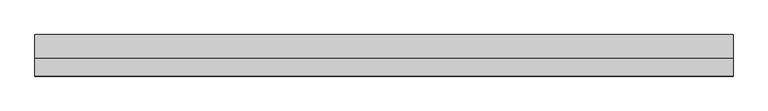
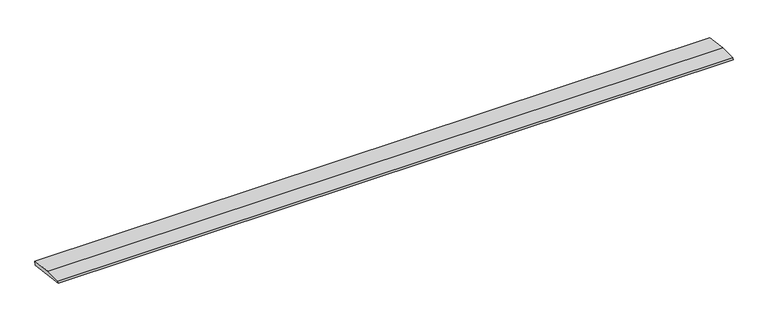
"""IFC4 building model written with IfcOpenShell, lengths in millimetres: beam geometry."""

from ifc_helpers import new_model, si_unit, frame, origin, place, context, project, spatial, polyline, outline, extrude, source, transform, mapped, element, save


def beam_7e5a3d0c(model_context):
    return source(origin(), model_context, "Body", "SweptSolid", [
        extrude(outline(polyline([(0.0, -9.143159), (1.1226388, 0.0), (79.0749747, 0.0), (180.9387048, -12.5072934), (178.6231873, -31.3656703), (0.0, -9.143159)])), frame((-1518.3551298, 0.0, 0.0), z_axis=(1.0, 0.0, 0.0), x_axis=(0.0, 1.0, 0.0)), (0.0, 0.0, 1.0), 3036.7102595),
    ])


if __name__ == "__main__":
    model = new_model("IFC4")
    model_context = context("Model", 3, world=origin())
    ifc_project = project(units=[si_unit("LENGTHUNIT", "METRE", prefix="MILLI")], contexts=[model_context])
    site = spatial("IfcSite", under=ifc_project)
    building = spatial("IfcBuilding", under=site)
    placement = place(None, origin())
    beam_shape = beam_7e5a3d0c(model_context)
    element("IfcBeam", 1, at=placement, inside=building, context=model_context, shape_type="MappedRepresentation", body=[
        mapped(beam_shape, transform((0.0, 0.0, 0.0), x_axis=(1.0, 0.0, 0.0), y_axis=(0.0, 1.0, 0.0), z_axis=(0.0, 0.0, 1.0))),
    ])
    save(model, "model.ifc")
